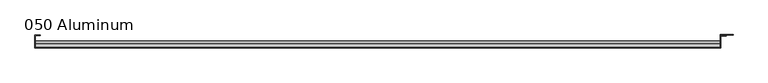
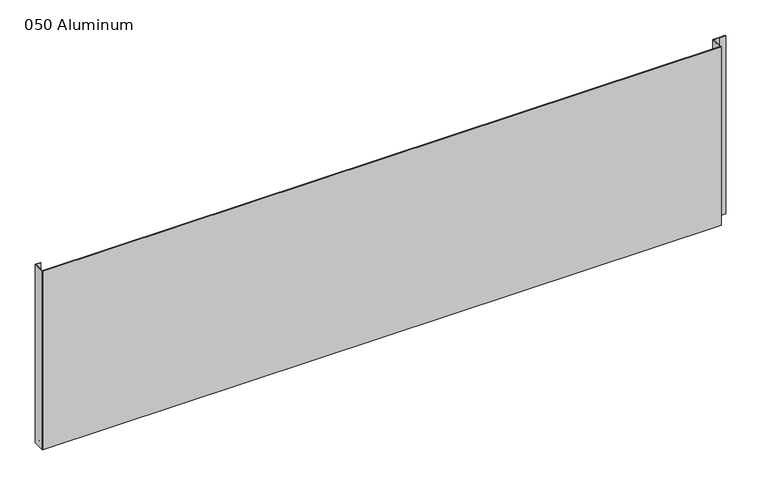
"""IFC4 building model written with IfcOpenShell, lengths in millimetres: plate geometry, 050 Aluminum."""

from ifc_helpers import new_model, si_unit, point, frame, frame_2d, origin, origin_with_axes, place, context, project, spatial, polyline, circle_curve, trimmed, segment, composite_curve, outline, extrude, source, transform, mapped, element, save


def plate_050_aluminum_36cf9e4a(model_context):
    return source(origin(), model_context, "Body", "SweptSolid", [
        extrude(outline(polyline([(-919.4799998, -2.5660257), (-919.4799998, -34.7980001), (-920.7499998, -34.7980001), (-920.7499998, -1.2699999), (-906.5894993, -1.2699999), (-906.5894993, -2.5660257), (-919.4799998, -2.5660257)])), origin_with_axes(), (0.0, 0.0, 1.0), 508.141923),
        extrude(outline(composite_curve([segment(polyline([(-16.6765477, 13.1458337), (-16.6765477, 2.786437), (-17.9464915, 2.786437), (-17.9464915, 13.1323356)]), True, "CONTINUOUS"), segment(trimmed(circle_curve(frame_2d((-19.8514743, 13.124237)), 1.905), [point((-17.9464915, 13.1323356))], [point((-21.7564743, 13.124237))], True, "CARTESIAN"), True, "CONTINUOUS"), segment(polyline([(-21.7564743, 13.124237), (-21.7564743, 0.0), (-34.7980002, 0.0), (-34.7980002, 1.2693678), (-23.0264743, 1.2693678), (-23.0264743, 13.124237)]), True, "CONTINUOUS"), segment(trimmed(circle_curve(frame_2d((-19.8514743, 13.124237)), 3.175), [point((-23.0264743, 13.124237))], [point((-16.6765477, 13.1458337))], False, "CARTESIAN"), True, "CONTINUOUS")], self_intersect=False)), frame((-919.4799998, 0.0, 0.0), z_axis=(1.0, 0.0, 0.0), x_axis=(0.0, 1.0, 0.0)), (0.0, 0.0, 1.0), 1826.2599997),
        extrude(outline(polyline([(-920.7499998, -36.068), (-920.7499998, -34.7980001), (908.0499998, -34.7980001), (908.0499998, -36.068), (-920.7499998, -36.068)])), origin_with_axes(), (0.0, 0.0, 1.0), 509.411923),
        extrude(outline(polyline([(908.0499998, -1.2699999), (908.0499998, -34.7980002), (906.7799999, -34.7980002), (906.7799999, 0.0), (940.5620855, 0.0), (940.5620855, -1.2699999), (908.0499998, -1.2699999)])), origin_with_axes(), (0.0, 0.0, 1.0), 508.141923),
        extrude(outline(polyline([(906.7799998, -3.3274743), (906.7799998, -2.0574743), (922.5279998, -2.0574743), (922.5279998, -3.3274743), (906.7799998, -3.3274743)])), origin_with_axes(), (0.0, 0.0, 1.0), 509.411923),
    ])


if __name__ == "__main__":
    model = new_model("IFC4")
    model_context = context("Model", 3, world=origin())
    ifc_project = project(units=[si_unit("LENGTHUNIT", "METRE", prefix="MILLI")], contexts=[model_context])
    site = spatial("IfcSite", under=ifc_project)
    building = spatial("IfcBuilding", under=site)
    placement = place(None, origin())
    plate_050_aluminum_shape = plate_050_aluminum_36cf9e4a(model_context)
    element("IfcPlate", 1, ObjectType="050 Aluminum", at=placement, inside=building, context=model_context, shape_type="MappedRepresentation", body=[
        mapped(plate_050_aluminum_shape, transform((0.0, 0.0, 0.0), x_axis=(1.0, 0.0, 0.0), y_axis=(0.0, 1.0, 0.0), z_axis=(0.0, 0.0, 1.0))),
    ])
    save(model, "model.ifc")
